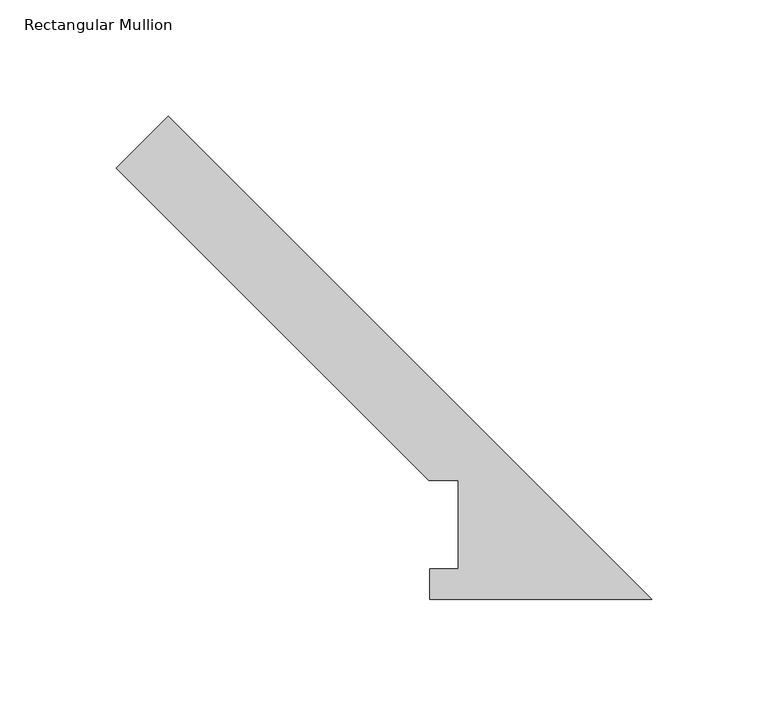
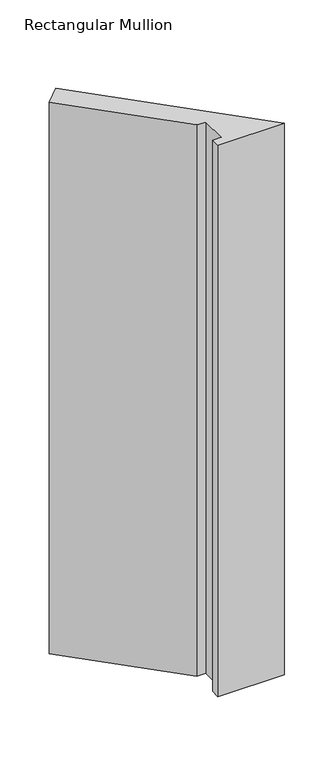
"""IFC4 building model written with IfcOpenShell, lengths in millimetres: member geometry, Rectangular Mullion."""

from ifc_helpers import new_model, si_unit, frame, origin, place, context, project, spatial, polyline, outline, extrude, source, transform, mapped, element, save


def rectangular_mullion_f4fc5d50(model_context):
    return source(origin(), model_context, "Body", "SweptSolid", [
        extrude(outline(polyline([(-208.4332415, 208.4505759), (0.0, 0.0173344), (-95.7961125, 0.0173344), (-95.7961125, 13.1903275), (-83.48004, 13.1903275), (-83.48004, 51.2960937), (-96.18004, 51.2960937), (-230.8838818, 185.9999356), (-208.4332415, 208.4505759)])), frame((0.0, 0.0, -838.1999996), z_axis=(0.0, 0.0, 1.0), x_axis=(1.0, 0.0, 0.0)), (0.0, 0.0, 1.0), 838.1999996),
    ])


if __name__ == "__main__":
    model = new_model("IFC4")
    model_context = context("Model", 3, world=origin())
    ifc_project = project(units=[si_unit("LENGTHUNIT", "METRE", prefix="MILLI")], contexts=[model_context])
    site = spatial("IfcSite", under=ifc_project)
    building = spatial("IfcBuilding", under=site)
    placement = place(None, origin())
    rectangular_mullion_shape = rectangular_mullion_f4fc5d50(model_context)
    element("IfcMember", 1, ObjectType="Rectangular Mullion", at=placement, inside=building, context=model_context, shape_type="MappedRepresentation", body=[
        mapped(rectangular_mullion_shape, transform((0.0, 0.0, 0.0), x_axis=(1.0, 0.0, 0.0), y_axis=(0.0, 1.0, 0.0), z_axis=(0.0, 0.0, 1.0))),
    ])
    save(model, "model.ifc")
